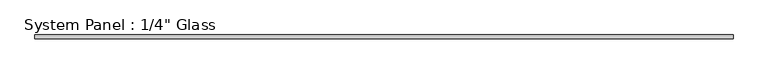
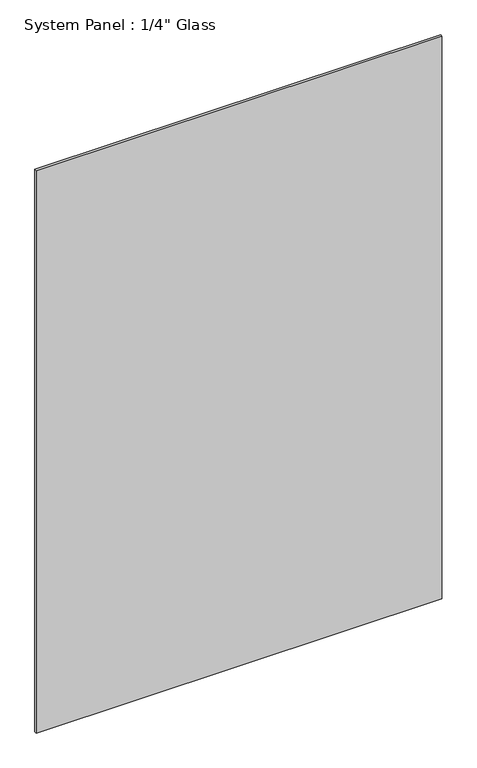
"""IFC4 building model written with IfcOpenShell, lengths in millimetres: plate geometry."""

from ifc_helpers import new_model, si_unit, origin, origin_with_axes, place, context, project, spatial, polyline, outline, extrude, source, transform, mapped, element, save


def plate_8857c175(model_context):
    return source(origin(), model_context, "Body", "SweptSolid", [
        extrude(outline(polyline([(593.4781373, -3.175), (-593.4781373, -3.175), (-593.4781373, 3.175), (593.4781373, 3.175), (593.4781373, -3.175)])), origin_with_axes(), (0.0, 0.0, 1.0), 1739.9),
    ])


if __name__ == "__main__":
    model = new_model("IFC4")
    model_context = context("Model", 3, world=origin())
    ifc_project = project(units=[si_unit("LENGTHUNIT", "METRE", prefix="MILLI")], contexts=[model_context])
    site = spatial("IfcSite", under=ifc_project)
    building = spatial("IfcBuilding", under=site)
    placement = place(None, origin())
    plate_shape = plate_8857c175(model_context)
    element("IfcPlate", 1, ObjectType="System Panel : 1/4\" Glass", at=placement, inside=building, context=model_context, shape_type="MappedRepresentation", body=[
        mapped(plate_shape, transform((0.0, 0.0, 0.0), x_axis=(1.0, 0.0, 0.0), y_axis=(0.0, 1.0, 0.0), z_axis=(0.0, 0.0, 1.0))),
    ])
    save(model, "model.ifc")
